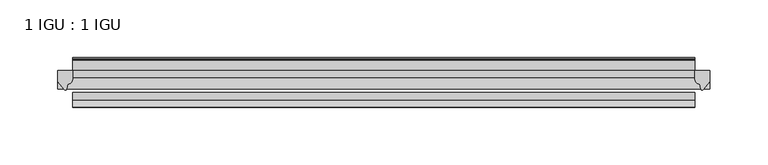
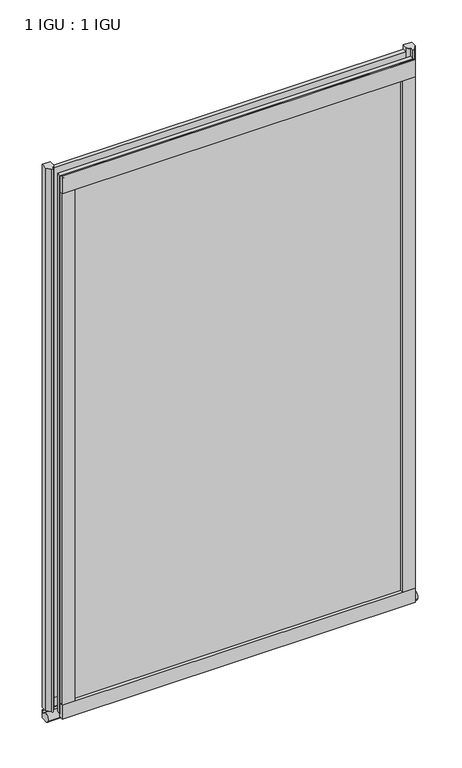
"""IFC4 building model written with IfcOpenShell, lengths in millimetres: plate geometry, 1 IGU : 1 IGU."""

from ifc_helpers import new_model, si_unit, point, frame, frame_2d, origin, place, context, project, spatial, polyline, circle_curve, ellipse_curve, trimmed, segment, composite_curve, outline, extrude, source, transform, mapped, element, save
from ifc_brep_helpers import plane_surface, revolved_surface, extruded_surface, advanced_brep


def plate_1_igu_1_igu_080489e2(model_context):
    return source(origin(), model_context, "Body", "SolidModel", [
        extrude(outline(polyline([(269.3769599, 0.0021347), (269.3769599, -6.2992), (-269.3769599, -6.2992), (-269.3769599, 0.0021347), (269.3769599, 0.0021347)])), frame((0.0, 0.0, -17.4498), z_axis=(0.0, 0.0, 1.0), x_axis=(1.0, 0.0, 0.0)), (0.0, 0.0, 1.0), 868.3366072),
        extrude(outline(polyline([(-269.3769599, -19.0986653), (269.3769599, -19.0986653), (269.3769599, -25.3978653), (-269.3769599, -25.3978653), (-269.3769599, -19.0986653)])), frame((0.0, 0.0, -17.4498), z_axis=(0.0, 0.0, 1.0), x_axis=(1.0, 0.0, 0.0)), (0.0, 0.0, 1.0), 868.3366072),
        advanced_brep(
        [(282.0769599, -2.9334208, -29.3692082), (282.0769599, -15.7658436, -30.8313288), (282.0769599, -6.7904952, -34.925), (282.0769599, 0.0, -34.925), (282.0769599, 0.0, -22.225), (282.0769599, -2.5187477, -22.225), (-282.0769599, -2.9073519, -29.3720514), (-282.0769599, -2.5187477, -22.225), (-282.0769599, 0.0, -22.225), (-282.0769599, 0.0, -34.925), (-282.0769599, -6.7904952, -34.925), (-282.0769599, -15.7658436, -30.8313288)],
        [
            (0, 1, ellipse_curve(frame((282.0769599, -9.5065066, -28.575), z_axis=(1.0, 0.0, 0.0), x_axis=(0.0, 0.0, -1.0)), 6.9638038, 6.6162554)),
            (1, 2, ellipse_curve(frame((282.0769599, -9.5065066, -28.575), z_axis=(1.0, 0.0, 0.0), x_axis=(0.0, 0.0, -1.0)), 6.9638038, 6.6162554)),
            (2, 3),
            (3, 4, circle_curve(frame((282.0769599, 24.1576838, -28.575), z_axis=(-1.0, 0.0, 0.0), x_axis=(0.0, 0.0, 1.0)), 24.9783143)),
            (4, 5),
            (5, 0, circle_curve(frame((282.0769599, -68.4358767, -22.225), z_axis=(-1.0, 0.0, 0.0), x_axis=(0.0, 0.0, 1.0)), 65.917129)),
            (6, 7, circle_curve(frame((-282.0769599, -68.4358767, -22.225), z_axis=(1.0, 0.0, 0.0), x_axis=(0.0, 0.0, 1.0)), 65.917129)),
            (7, 8),
            (8, 9, circle_curve(frame((-282.0769599, 24.1576838, -28.575), z_axis=(1.0, 0.0, 0.0), x_axis=(0.0, 0.0, 1.0)), 24.9783143)),
            (9, 10),
            (10, 11, ellipse_curve(frame((-282.0769599, -9.5065066, -28.575), z_axis=(-1.0, 0.0, 0.0), x_axis=(0.0, 0.0, -1.0)), 6.9638038, 6.6162554)),
            (11, 6, ellipse_curve(frame((-282.0769599, -9.5065066, -28.575), z_axis=(-1.0, 0.0, 0.0), x_axis=(0.0, 0.0, -1.0)), 6.9638038, 6.6162554)),
            (0, 6),
            (11, 1),
            (10, 2),
            (9, 3),
            (8, 4),
            (7, 5),
        ],
        [
            plane_surface(frame((282.0769599, 0.0, -28.575), z_axis=(1.0, 0.0, 0.0), x_axis=(0.0, 1.0, 0.0))),
            plane_surface(frame((-282.0769599, 0.0, -28.575), z_axis=(-1.0, 0.0, 0.0), x_axis=(0.0, 1.0, 0.0))),
            extruded_surface(trimmed(ellipse_curve(frame((-282.0769599, -9.5065066, -28.575), z_axis=(1.0, 0.0, 0.0), x_axis=(0.0, 0.0, -1.0)), 6.9638038, 6.6162554), [point((-282.0769599, -2.9334208, -29.3692082))], [point((-282.0769599, -15.7658436, -30.8313288))], True, "CARTESIAN"), (564.1539198, 0.0, 0.0), 564.1539198),
            extruded_surface(trimmed(ellipse_curve(frame((-282.0769599, -9.5065066, -28.575), z_axis=(1.0, 0.0, 0.0), x_axis=(0.0, 0.0, -1.0)), 6.9638038, 6.6162554), [point((-282.0769599, -15.7658436, -30.8313288))], [point((-282.0769599, -6.7904952, -34.925))], True, "CARTESIAN"), (564.1539198, 0.0, 0.0), 564.1539198),
            plane_surface(frame((282.0769599, -6.7904952, -34.925), z_axis=(0.0, 0.0, -1.0), x_axis=(-1.0, 0.0, 0.0))),
            revolved_surface(polyline([(-282.0769599, 24.1576838, -3.5966856999999983), (282.0769599, 24.1576838, -3.5966856999999983)]), (282.0769599, 24.1576838, -28.575), (-1.0, 0.0, 0.0)),
            plane_surface(frame((282.0769599, 0.0, -22.225), z_axis=(0.0, 0.0, 1.0), x_axis=(-1.0, 0.0, 0.0))),
            revolved_surface(polyline([(-282.0769599, -68.4358767, 43.692129), (282.0769599, -68.4358767, 43.692129)]), (282.0769599, -68.4358767, -22.225), (-1.0, 0.0, 0.0)),
        ],
        [
            (0, [[1, 2, 3, 4, 5, 6]]),
            (1, [[7, 8, 9, 10, 11, 12]]),
            (2, [[-1, 13, -12, 14]]),
            (3, [[-2, -14, -11, 15]]),
            (4, [[-3, -15, -10, 16]]),
            (5, [[-4, -16, -9, 17]]),
            (6, [[-5, -17, -8, 18]]),
            (7, [[-6, -18, -7, -13]]),
        ],
    ),
        extrude(outline(composite_curve([segment(polyline([(282.0769599, 0.0), (282.0769599, -9.7395025), (276.510729, -16.3730781)]), True, "CONTINUOUS"), segment(trimmed(circle_curve(frame_2d((275.557054, -15.7728374)), 1.1268473), [point((276.510729, -16.3730781))], [point((274.4561011, -16.0130197))], False, "CARTESIAN"), True, "CONTINUOUS"), segment(polyline([(274.4561011, -16.0130197), (273.4759096, -11.7377885)]), True, "CONTINUOUS"), segment(trimmed(circle_curve(frame_2d((273.3484578, -7.7683362)), 3.9714979), [point((273.4759096, -11.7377885))], [point((269.3771385, -7.8060014))], False, "CARTESIAN"), True, "CONTINUOUS"), segment(polyline([(269.3771385, -7.8060014), (269.3771385, 0.0), (282.0769599, 0.0)]), True, "CONTINUOUS")], self_intersect=False)), frame((0.0, 0.0, -17.4498), z_axis=(0.0, 0.0, 1.0), x_axis=(1.0, 0.0, 0.0)), (0.0, 0.0, 1.0), 875.4740072),
        extrude(outline(composite_curve([segment(polyline([(-269.3769599, 8.8e-06), (-269.3769599, -7.7683362)]), True, "CONTINUOUS"), segment(trimmed(circle_curve(frame_2d((-273.3484578, -7.7683362)), 3.9714979), [point((-269.3769599, -7.7683362))], [point((-273.4759096, -11.7377885))], False, "CARTESIAN"), True, "CONTINUOUS"), segment(polyline([(-273.4759096, -11.7377885), (-274.4559441, -16.012436)]), True, "CONTINUOUS"), segment(trimmed(circle_curve(frame_2d((-275.5571531, -15.7723555)), 1.1270758), [point((-274.4559441, -16.012436))], [point((-276.5109925, -16.372764))], False, "CARTESIAN"), True, "CONTINUOUS"), segment(polyline([(-276.5109925, -16.372764), (-282.0769599, -9.7395025), (-282.0769599, 8.8e-06), (-269.3769599, 8.8e-06)]), True, "CONTINUOUS")], self_intersect=False)), frame((0.0, 0.0, -17.4498), z_axis=(0.0, 0.0, 1.0), x_axis=(1.0, 0.0, 0.0)), (0.0, 0.0, 1.0), 875.4740072),
        extrude(outline(composite_curve([segment(polyline([(-31.75, 0.0), (-25.4, 0.0), (-25.4, -22.225)]), True, "CONTINUOUS"), segment(trimmed(circle_curve(frame_2d((-28.575, -28.9113452)), 7.4018806), [point((-25.4, -22.225))], [point((-31.75, -22.225))], True, "CARTESIAN"), True, "CONTINUOUS"), segment(polyline([(-31.75, -22.225), (-31.75, 0.0)]), True, "CONTINUOUS")], self_intersect=False)), frame((-269.3769599, 0.0, 0.0), z_axis=(1.0, 0.0, 0.0), x_axis=(0.0, 1.0, 0.0)), (0.0, 0.0, 1.0), 538.7539197),
        extrude(outline(composite_curve([segment(trimmed(circle_curve(frame_2d((13.6593785, 32.4202472)), 31.3046461), [point((0.0, 4.2528503))], [point((9.3980339, 1.406995))], True, "CARTESIAN"), True, "CONTINUOUS"), segment(polyline([(9.3980339, 1.406995), (9.3980339, 0.0254), (6.35, 0.0254), (6.35, -5.1625788), (7.7309478, -5.3970663), (6.35, -8.0073788), (6.35, -11.8471127)]), True, "CONTINUOUS"), segment(trimmed(circle_curve(frame_2d((5.334, -11.8471127)), 1.016), [point((6.35, -11.8471127))], [point((4.6284878, -12.5782136))], False, "CARTESIAN"), True, "CONTINUOUS"), segment(trimmed(circle_curve(frame_2d((-23.3689302, -41.5910901)), 40.3187601), [point((4.6284878, -12.5782136))], [point((0.0, -8.735413))], True, "CARTESIAN"), True, "CONTINUOUS"), segment(polyline([(0.0, -8.735413), (0.0, 4.2528503)]), True, "CONTINUOUS")], self_intersect=False)), frame((-269.3769599, 0.0, 0.0), z_axis=(1.0, 0.0, 0.0), x_axis=(0.0, 1.0, 0.0)), (0.0, 0.0, 1.0), 538.7539197),
        extrude(outline(composite_curve([segment(polyline([(8.509, 840.7300284), (8.509, 838.6980284), (6.35, 838.6980284), (6.35, 833.3640284), (8.9492698, 833.3640284)]), True, "CONTINUOUS"), segment(trimmed(circle_curve(frame_2d((8.208689, 831.8368072)), 1.697311), [point((8.9492698, 833.3640284))], [point((8.962411, 830.3160284))], False, "CARTESIAN"), True, "CONTINUOUS"), segment(polyline([(8.962411, 830.3160284), (6.35, 830.3160284), (6.35, 825.4868072), (11.1252, 825.4868072), (11.1252, 824.5978072)]), True, "CONTINUOUS"), segment(trimmed(circle_curve(frame_2d((10.1092, 824.5978072)), 1.016), [point((11.1252, 824.5978072))], [point((10.1092, 823.5818072))], False, "CARTESIAN"), True, "CONTINUOUS"), segment(trimmed(circle_curve(frame_2d((10.1092, 804.1707318)), 19.4110754), [point((10.1092, 823.5818072))], [point((0.0, 820.7416075))], True, "CARTESIAN"), True, "CONTINUOUS"), segment(polyline([(0.0, 820.7416075), (0.0, 840.7300284), (8.509, 840.7300284)]), True, "CONTINUOUS")], self_intersect=False)), frame((-269.3769599, 0.0, 0.0), z_axis=(1.0, 0.0, 0.0), x_axis=(0.0, 1.0, 0.0)), (0.0, 0.0, 1.0), 538.7539197),
        extrude(outline(composite_curve([segment(polyline([(-25.4, 850.8868072), (-25.4, 825.4868072), (-31.75, 825.4868072), (-31.75, 853.6597045)]), True, "CONTINUOUS"), segment(trimmed(circle_curve(frame_2d((-24.1401272, 862.4292187)), 11.6109665), [point((-31.75, 853.6597045))], [point((-25.4, 850.8868072))], True, "CARTESIAN"), True, "CONTINUOUS")], self_intersect=False)), frame((-269.3769599, 0.0, 0.0), z_axis=(1.0, 0.0, 0.0), x_axis=(0.0, 1.0, 0.0)), (0.0, 0.0, 1.0), 538.7539197),
        extrude(outline(composite_curve([segment(polyline([(250.3269599, -25.4), (269.3769599, -25.4)]), True, "CONTINUOUS"), segment(trimmed(circle_curve(frame_2d((278.8431106, -28.575)), 9.9844196), [point((269.3769599, -25.4))], [point((269.3769599, -31.75))], True, "CARTESIAN"), True, "CONTINUOUS"), segment(polyline([(269.3769599, -31.75), (250.3269599, -31.75), (250.3269599, -25.4)]), True, "CONTINUOUS")], self_intersect=False)), frame((0.0, 0.0, -17.4498), z_axis=(0.0, 0.0, 1.0), x_axis=(1.0, 0.0, 0.0)), (0.0, 0.0, 1.0), 868.3366072),
        extrude(outline(composite_curve([segment(trimmed(circle_curve(frame_2d((-278.8431106, -28.575)), 9.9844196), [point((-269.3769599, -31.75))], [point((-269.3769599, -25.4))], True, "CARTESIAN"), True, "CONTINUOUS"), segment(polyline([(-269.3769599, -25.4), (-250.3269599, -25.4), (-250.3269599, -31.75), (-269.3769599, -31.75)]), True, "CONTINUOUS")], self_intersect=False)), frame((0.0, 0.0, -17.4498), z_axis=(0.0, 0.0, 1.0), x_axis=(1.0, 0.0, 0.0)), (0.0, 0.0, 1.0), 868.3366072),
    ])


if __name__ == "__main__":
    model = new_model("IFC4")
    model_context = context("Model", 3, world=origin())
    ifc_project = project(units=[si_unit("LENGTHUNIT", "METRE", prefix="MILLI")], contexts=[model_context])
    site = spatial("IfcSite", under=ifc_project)
    building = spatial("IfcBuilding", under=site)
    placement = place(None, origin())
    plate_1_igu_1_igu_shape = plate_1_igu_1_igu_080489e2(model_context)
    element("IfcPlate", 1, ObjectType="1 IGU : 1 IGU", at=placement, inside=building, context=model_context, shape_type="MappedRepresentation", body=[
        mapped(plate_1_igu_1_igu_shape, transform((0.0, 0.0, 0.0), x_axis=(1.0, 0.0, 0.0), y_axis=(0.0, 1.0, 0.0), z_axis=(0.0, 0.0, 1.0))),
    ])
    save(model, "model.ifc")
